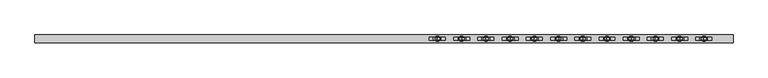
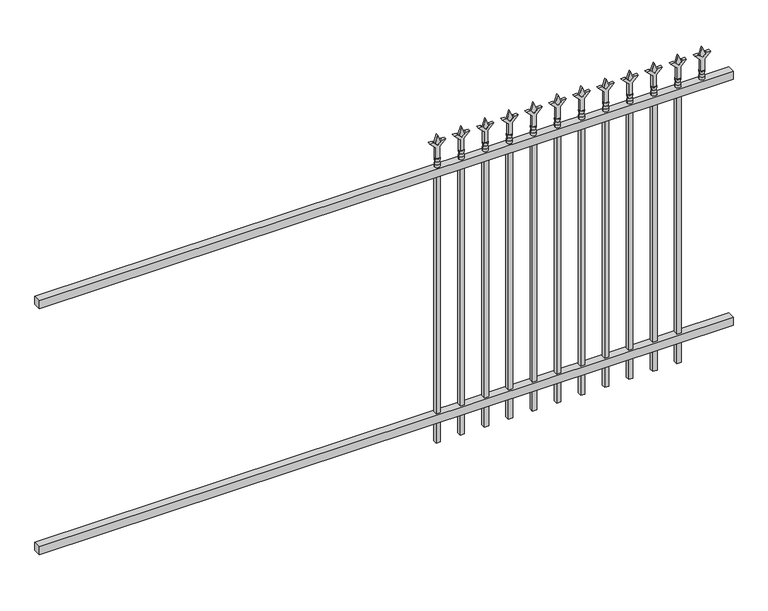
"""IFC4 building model written with IfcOpenShell, lengths in millimetres: railing geometry."""

from ifc_helpers import new_model, si_unit, frame, origin, place, context, project, spatial, polyline, circle_curve, outline, extrude, source, transform, mapped, element, save
from ifc_brep_helpers import plane_surface, cylinder_surface, revolved_surface, advanced_brep


def railing_f7815fa6(model_context):
    return source(origin(), model_context, "Body", "SolidModel", [
        extrude(outline(polyline([(-73537.318087, 3004.8804826), (-73537.318087, 3039.8054826), (-70387.718087, 3039.8054826), (-70387.718087, 3004.8804826), (-73537.318087, 3004.8804826)])), frame((0.0, 0.0, 1333.5), z_axis=(0.0, 0.0, 1.0), x_axis=(1.0, 0.0, 0.0)), (0.0, 0.0, 1.0), 38.1),
        extrude(outline(polyline([(-73537.318087, 3004.8804826), (-73537.318087, 3039.8054826), (-70387.718087, 3039.8054826), (-70387.718087, 3004.8804826), (-73537.318087, 3004.8804826)])), frame((0.0, 0.0, 152.4), z_axis=(0.0, 0.0, 1.0), x_axis=(1.0, 0.0, 0.0)), (0.0, 0.0, 1.0), 38.1),
        extrude(outline(polyline([(1488.28125, -70616.8472536), (1524.0, -70628.7535036), (1488.28125, -70640.6597536), (1476.375, -70628.7535036), (1488.28125, -70616.8472536)])), frame((0.0, 3017.5804826, 0.0), z_axis=(0.0, 1.0, 0.0), x_axis=(0.0, 0.0, 1.0)), (0.0, 0.0, 1.0), 9.525),
        extrude(outline(polyline([(1412.875, -70620.0222536), (1467.1457378, -70620.0222536), (1494.3355122, -70592.8324791), (1494.3355122, -70610.7929914), (1476.375, -70628.7535036), (1494.3355122, -70646.7140159), (1494.3355122, -70664.6745281), (1467.1457378, -70637.4847536), (1412.875, -70637.4847536), (1412.875, -70620.0222536)])), frame((0.0, 3015.9929826, 0.0), z_axis=(0.0, 1.0, 0.0), x_axis=(0.0, 0.0, 1.0)), (0.0, 0.0, 1.0), 12.7),
        advanced_brep(
        [(-70616.8472536, 3022.3429826, 1384.3), (-70640.6597536, 3022.3429826, 1384.3), (-70640.6597536, 3022.3429826, 1371.6), (-70616.8472536, 3022.3429826, 1371.6), (-70619.0525855, 3022.3429826, 1396.8070585), (-70638.4544218, 3022.3429826, 1396.8070585), (-70616.8472536, 3022.3429826, 1412.875), (-70640.6597536, 3022.3429826, 1412.875), (-70628.7535036, 3022.3429826, 1412.875), (-70628.7535036, 3022.3429826, 1371.6)],
        [
            (0, 1, circle_curve(frame((-70628.7535036, 3022.3429826, 1384.3), z_axis=(0.0, 0.0, -1.0), x_axis=(-1.0, 0.0, 0.0)), 11.90625)),
            (1, 2),
            (2, 3, circle_curve(frame((-70628.7535036, 3022.3429826, 1371.6), z_axis=(0.0, 0.0, 1.0), x_axis=(-1.0, 0.0, 0.0)), 11.90625)),
            (3, 0),
            (1, 0, circle_curve(frame((-70628.7535036, 3022.3429826, 1384.3), z_axis=(0.0, 0.0, -1.0), x_axis=(-1.0, 0.0, 0.0)), 11.90625)),
            (3, 2, circle_curve(frame((-70628.7535036, 3022.3429826, 1371.6), z_axis=(0.0, 0.0, 1.0), x_axis=(-1.0, 0.0, 0.0)), 11.90625)),
            (4, 5, circle_curve(frame((-70628.7535036, 3022.3429826, 1396.8070585), z_axis=(0.0, 0.0, -1.0), x_axis=(-1.0, 0.0, 0.0)), 9.7009181)),
            (5, 1),
            (0, 4),
            (5, 4, circle_curve(frame((-70628.7535036, 3022.3429826, 1396.8070585), z_axis=(0.0, 0.0, -1.0), x_axis=(-1.0, 0.0, 0.0)), 9.7009181)),
            (6, 7, circle_curve(frame((-70628.7535036, 3022.3429826, 1412.875), z_axis=(0.0, 0.0, -1.0), x_axis=(-1.0, 0.0, 0.0)), 11.90625)),
            (7, 5),
            (4, 6),
            (7, 6, circle_curve(frame((-70628.7535036, 3022.3429826, 1412.875), z_axis=(0.0, 0.0, -1.0), x_axis=(-1.0, 0.0, 0.0)), 11.90625)),
            (8, 7),
            (6, 8),
            (2, 9),
            (9, 3),
        ],
        [
            cylinder_surface(frame((-70628.7535036, 3022.3429826, 1371.6), z_axis=(0.0, 0.0, 1.0), x_axis=(-1.0, 0.0, 0.0)), 11.90625),
            revolved_surface(polyline([(-70640.6597536, 3022.3429826, 1384.3), (-70638.4544218, 3022.3429826, 1396.8070585)]), (-70628.7535036, 3022.3429826, 1371.6), (0.0, 0.0, 1.0)),
            revolved_surface(polyline([(-70638.4544218, 3022.3429826, 1396.8070585), (-70640.6597536, 3022.3429826, 1412.875)]), (-70628.7535036, 3022.3429826, 1371.6), (0.0, 0.0, 1.0)),
            plane_surface(frame((-70628.7535036, 3022.3429826, 1412.875), z_axis=(0.0, 0.0, 1.0), x_axis=(-1.0, 0.0, 0.0))),
            plane_surface(frame((-70628.7535036, 3022.3429826, 1371.6), z_axis=(0.0, 0.0, -1.0), x_axis=(-1.0, 0.0, 0.0))),
        ],
        [
            (0, [[1, 2, 3, 4]]),
            (0, [[5, -4, 6, -2]]),
            (1, [[7, 8, -1, 9]]),
            (1, [[10, -9, -5, -8]]),
            (2, [[11, 12, -7, 13]]),
            (2, [[14, -13, -10, -12]]),
            (3, [[15, -11, 16]]),
            (3, [[-16, -14, -15]]),
            (4, [[-3, 17, 18]]),
            (4, [[-6, -18, -17]]),
        ],
    ),
        extrude(outline(polyline([(-70638.2785036, 3031.8679826), (-70619.2285036, 3031.8679826), (-70619.2285036, 3012.8179826), (-70638.2785036, 3012.8179826), (-70638.2785036, 3031.8679826)])), frame((0.0, 0.0, 50.8), z_axis=(0.0, 0.0, 1.0), x_axis=(1.0, 0.0, 0.0)), (0.0, 0.0, 1.0), 1320.8),
        extrude(outline(polyline([(1488.28125, -70726.1201703), (1524.0, -70738.0264203), (1488.28125, -70749.9326703), (1476.375, -70738.0264203), (1488.28125, -70726.1201703)])), frame((0.0, 3017.5804826, 0.0), z_axis=(0.0, 1.0, 0.0), x_axis=(0.0, 0.0, 1.0)), (0.0, 0.0, 1.0), 9.525),
        extrude(outline(polyline([(1412.875, -70729.2951703), (1467.1457378, -70729.2951703), (1494.3355122, -70702.1053958), (1494.3355122, -70720.0659081), (1476.375, -70738.0264203), (1494.3355122, -70755.9869325), (1494.3355122, -70773.9474448), (1467.1457378, -70746.7576703), (1412.875, -70746.7576703), (1412.875, -70729.2951703)])), frame((0.0, 3015.9929826, 0.0), z_axis=(0.0, 1.0, 0.0), x_axis=(0.0, 0.0, 1.0)), (0.0, 0.0, 1.0), 12.7),
        advanced_brep(
        [(-70726.1201703, 3022.3429826, 1384.3), (-70749.9326703, 3022.3429826, 1384.3), (-70749.9326703, 3022.3429826, 1371.6), (-70726.1201703, 3022.3429826, 1371.6), (-70728.3255022, 3022.3429826, 1396.8070585), (-70747.7273384, 3022.3429826, 1396.8070585), (-70726.1201703, 3022.3429826, 1412.875), (-70749.9326703, 3022.3429826, 1412.875), (-70738.0264203, 3022.3429826, 1412.875), (-70738.0264203, 3022.3429826, 1371.6)],
        [
            (0, 1, circle_curve(frame((-70738.0264203, 3022.3429826, 1384.3), z_axis=(0.0, 0.0, -1.0), x_axis=(-1.0, 0.0, 0.0)), 11.90625)),
            (1, 2),
            (2, 3, circle_curve(frame((-70738.0264203, 3022.3429826, 1371.6), z_axis=(0.0, 0.0, 1.0), x_axis=(-1.0, 0.0, 0.0)), 11.90625)),
            (3, 0),
            (1, 0, circle_curve(frame((-70738.0264203, 3022.3429826, 1384.3), z_axis=(0.0, 0.0, -1.0), x_axis=(-1.0, 0.0, 0.0)), 11.90625)),
            (3, 2, circle_curve(frame((-70738.0264203, 3022.3429826, 1371.6), z_axis=(0.0, 0.0, 1.0), x_axis=(-1.0, 0.0, 0.0)), 11.90625)),
            (4, 5, circle_curve(frame((-70738.0264203, 3022.3429826, 1396.8070585), z_axis=(0.0, 0.0, -1.0), x_axis=(-1.0, 0.0, 0.0)), 9.7009181)),
            (5, 1),
            (0, 4),
            (5, 4, circle_curve(frame((-70738.0264203, 3022.3429826, 1396.8070585), z_axis=(0.0, 0.0, -1.0), x_axis=(-1.0, 0.0, 0.0)), 9.7009181)),
            (6, 7, circle_curve(frame((-70738.0264203, 3022.3429826, 1412.875), z_axis=(0.0, 0.0, -1.0), x_axis=(-1.0, 0.0, 0.0)), 11.90625)),
            (7, 5),
            (4, 6),
            (7, 6, circle_curve(frame((-70738.0264203, 3022.3429826, 1412.875), z_axis=(0.0, 0.0, -1.0), x_axis=(-1.0, 0.0, 0.0)), 11.90625)),
            (8, 7),
            (6, 8),
            (2, 9),
            (9, 3),
        ],
        [
            cylinder_surface(frame((-70738.0264203, 3022.3429826, 1371.6), z_axis=(0.0, 0.0, 1.0), x_axis=(-1.0, 0.0, 0.0)), 11.90625),
            revolved_surface(polyline([(-70749.9326703, 3022.3429826, 1384.3), (-70747.7273384, 3022.3429826, 1396.8070585)]), (-70738.0264203, 3022.3429826, 1371.6), (0.0, 0.0, 1.0)),
            revolved_surface(polyline([(-70747.7273384, 3022.3429826, 1396.8070585), (-70749.9326703, 3022.3429826, 1412.875)]), (-70738.0264203, 3022.3429826, 1371.6), (0.0, 0.0, 1.0)),
            plane_surface(frame((-70738.0264203, 3022.3429826, 1412.875), z_axis=(0.0, 0.0, 1.0), x_axis=(-1.0, 0.0, 0.0))),
            plane_surface(frame((-70738.0264203, 3022.3429826, 1371.6), z_axis=(0.0, 0.0, -1.0), x_axis=(-1.0, 0.0, 0.0))),
        ],
        [
            (0, [[1, 2, 3, 4]]),
            (0, [[5, -4, 6, -2]]),
            (1, [[7, 8, -1, 9]]),
            (1, [[10, -9, -5, -8]]),
            (2, [[11, 12, -7, 13]]),
            (2, [[14, -13, -10, -12]]),
            (3, [[15, -11, 16]]),
            (3, [[-16, -14, -15]]),
            (4, [[-3, 17, 18]]),
            (4, [[-6, -18, -17]]),
        ],
    ),
        extrude(outline(polyline([(-70747.5514203, 3031.8679826), (-70728.5014203, 3031.8679826), (-70728.5014203, 3012.8179826), (-70747.5514203, 3012.8179826), (-70747.5514203, 3031.8679826)])), frame((0.0, 0.0, 50.8), z_axis=(0.0, 0.0, 1.0), x_axis=(1.0, 0.0, 0.0)), (0.0, 0.0, 1.0), 1320.8),
        extrude(outline(polyline([(1488.28125, -70835.393087), (1524.0, -70847.299337), (1488.28125, -70859.205587), (1476.375, -70847.299337), (1488.28125, -70835.393087)])), frame((0.0, 3017.5804826, 0.0), z_axis=(0.0, 1.0, 0.0), x_axis=(0.0, 0.0, 1.0)), (0.0, 0.0, 1.0), 9.525),
        extrude(outline(polyline([(1412.875, -70838.568087), (1467.1457378, -70838.568087), (1494.3355122, -70811.3783125), (1494.3355122, -70829.3388247), (1476.375, -70847.299337), (1494.3355122, -70865.2598492), (1494.3355122, -70883.2203614), (1467.1457378, -70856.030587), (1412.875, -70856.030587), (1412.875, -70838.568087)])), frame((0.0, 3015.9929826, 0.0), z_axis=(0.0, 1.0, 0.0), x_axis=(0.0, 0.0, 1.0)), (0.0, 0.0, 1.0), 12.7),
        advanced_brep(
        [(-70835.393087, 3022.3429826, 1384.3), (-70859.205587, 3022.3429826, 1384.3), (-70859.205587, 3022.3429826, 1371.6), (-70835.393087, 3022.3429826, 1371.6), (-70837.5984188, 3022.3429826, 1396.8070585), (-70857.0002551, 3022.3429826, 1396.8070585), (-70835.393087, 3022.3429826, 1412.875), (-70859.205587, 3022.3429826, 1412.875), (-70847.299337, 3022.3429826, 1412.875), (-70847.299337, 3022.3429826, 1371.6)],
        [
            (0, 1, circle_curve(frame((-70847.299337, 3022.3429826, 1384.3), z_axis=(0.0, 0.0, -1.0), x_axis=(-1.0, 0.0, 0.0)), 11.90625)),
            (1, 2),
            (2, 3, circle_curve(frame((-70847.299337, 3022.3429826, 1371.6), z_axis=(0.0, 0.0, 1.0), x_axis=(-1.0, 0.0, 0.0)), 11.90625)),
            (3, 0),
            (1, 0, circle_curve(frame((-70847.299337, 3022.3429826, 1384.3), z_axis=(0.0, 0.0, -1.0), x_axis=(-1.0, 0.0, 0.0)), 11.90625)),
            (3, 2, circle_curve(frame((-70847.299337, 3022.3429826, 1371.6), z_axis=(0.0, 0.0, 1.0), x_axis=(-1.0, 0.0, 0.0)), 11.90625)),
            (4, 5, circle_curve(frame((-70847.299337, 3022.3429826, 1396.8070585), z_axis=(0.0, 0.0, -1.0), x_axis=(-1.0, 0.0, 0.0)), 9.7009181)),
            (5, 1),
            (0, 4),
            (5, 4, circle_curve(frame((-70847.299337, 3022.3429826, 1396.8070585), z_axis=(0.0, 0.0, -1.0), x_axis=(-1.0, 0.0, 0.0)), 9.7009181)),
            (6, 7, circle_curve(frame((-70847.299337, 3022.3429826, 1412.875), z_axis=(0.0, 0.0, -1.0), x_axis=(-1.0, 0.0, 0.0)), 11.90625)),
            (7, 5),
            (4, 6),
            (7, 6, circle_curve(frame((-70847.299337, 3022.3429826, 1412.875), z_axis=(0.0, 0.0, -1.0), x_axis=(-1.0, 0.0, 0.0)), 11.90625)),
            (8, 7),
            (6, 8),
            (2, 9),
            (9, 3),
        ],
        [
            cylinder_surface(frame((-70847.299337, 3022.3429826, 1371.6), z_axis=(0.0, 0.0, 1.0), x_axis=(-1.0, 0.0, 0.0)), 11.90625),
            revolved_surface(polyline([(-70859.205587, 3022.3429826, 1384.3), (-70857.0002551, 3022.3429826, 1396.8070585)]), (-70847.299337, 3022.3429826, 1371.6), (0.0, 0.0, 1.0)),
            revolved_surface(polyline([(-70857.0002551, 3022.3429826, 1396.8070585), (-70859.205587, 3022.3429826, 1412.875)]), (-70847.299337, 3022.3429826, 1371.6), (0.0, 0.0, 1.0)),
            plane_surface(frame((-70847.299337, 3022.3429826, 1412.875), z_axis=(0.0, 0.0, 1.0), x_axis=(-1.0, 0.0, 0.0))),
            plane_surface(frame((-70847.299337, 3022.3429826, 1371.6), z_axis=(0.0, 0.0, -1.0), x_axis=(-1.0, 0.0, 0.0))),
        ],
        [
            (0, [[1, 2, 3, 4]]),
            (0, [[5, -4, 6, -2]]),
            (1, [[7, 8, -1, 9]]),
            (1, [[10, -9, -5, -8]]),
            (2, [[11, 12, -7, 13]]),
            (2, [[14, -13, -10, -12]]),
            (3, [[15, -11, 16]]),
            (3, [[-16, -14, -15]]),
            (4, [[-3, 17, 18]]),
            (4, [[-6, -18, -17]]),
        ],
    ),
        extrude(outline(polyline([(-70856.824337, 3031.8679826), (-70837.774337, 3031.8679826), (-70837.774337, 3012.8179826), (-70856.824337, 3012.8179826), (-70856.824337, 3031.8679826)])), frame((0.0, 0.0, 50.8), z_axis=(0.0, 0.0, 1.0), x_axis=(1.0, 0.0, 0.0)), (0.0, 0.0, 1.0), 1320.8),
        extrude(outline(polyline([(1488.28125, -70944.6660036), (1524.0, -70956.5722536), (1488.28125, -70968.4785036), (1476.375, -70956.5722536), (1488.28125, -70944.6660036)])), frame((0.0, 3017.5804826, 0.0), z_axis=(0.0, 1.0, 0.0), x_axis=(0.0, 0.0, 1.0)), (0.0, 0.0, 1.0), 9.525),
        extrude(outline(polyline([(1412.875, -70947.8410036), (1467.1457378, -70947.8410036), (1494.3355122, -70920.6512291), (1494.3355122, -70938.6117414), (1476.375, -70956.5722536), (1494.3355122, -70974.5327659), (1494.3355122, -70992.4932781), (1467.1457378, -70965.3035036), (1412.875, -70965.3035036), (1412.875, -70947.8410036)])), frame((0.0, 3015.9929826, 0.0), z_axis=(0.0, 1.0, 0.0), x_axis=(0.0, 0.0, 1.0)), (0.0, 0.0, 1.0), 12.7),
        advanced_brep(
        [(-70944.6660036, 3022.3429826, 1384.3), (-70968.4785036, 3022.3429826, 1384.3), (-70968.4785036, 3022.3429826, 1371.6), (-70944.6660036, 3022.3429826, 1371.6), (-70946.8713355, 3022.3429826, 1396.8070585), (-70966.2731718, 3022.3429826, 1396.8070585), (-70944.6660036, 3022.3429826, 1412.875), (-70968.4785036, 3022.3429826, 1412.875), (-70956.5722536, 3022.3429826, 1412.875), (-70956.5722536, 3022.3429826, 1371.6)],
        [
            (0, 1, circle_curve(frame((-70956.5722536, 3022.3429826, 1384.3), z_axis=(0.0, 0.0, -1.0), x_axis=(-1.0, 0.0, 0.0)), 11.90625)),
            (1, 2),
            (2, 3, circle_curve(frame((-70956.5722536, 3022.3429826, 1371.6), z_axis=(0.0, 0.0, 1.0), x_axis=(-1.0, 0.0, 0.0)), 11.90625)),
            (3, 0),
            (1, 0, circle_curve(frame((-70956.5722536, 3022.3429826, 1384.3), z_axis=(0.0, 0.0, -1.0), x_axis=(-1.0, 0.0, 0.0)), 11.90625)),
            (3, 2, circle_curve(frame((-70956.5722536, 3022.3429826, 1371.6), z_axis=(0.0, 0.0, 1.0), x_axis=(-1.0, 0.0, 0.0)), 11.90625)),
            (4, 5, circle_curve(frame((-70956.5722536, 3022.3429826, 1396.8070585), z_axis=(0.0, 0.0, -1.0), x_axis=(-1.0, 0.0, 0.0)), 9.7009181)),
            (5, 1),
            (0, 4),
            (5, 4, circle_curve(frame((-70956.5722536, 3022.3429826, 1396.8070585), z_axis=(0.0, 0.0, -1.0), x_axis=(-1.0, 0.0, 0.0)), 9.7009181)),
            (6, 7, circle_curve(frame((-70956.5722536, 3022.3429826, 1412.875), z_axis=(0.0, 0.0, -1.0), x_axis=(-1.0, 0.0, 0.0)), 11.90625)),
            (7, 5),
            (4, 6),
            (7, 6, circle_curve(frame((-70956.5722536, 3022.3429826, 1412.875), z_axis=(0.0, 0.0, -1.0), x_axis=(-1.0, 0.0, 0.0)), 11.90625)),
            (8, 7),
            (6, 8),
            (2, 9),
            (9, 3),
        ],
        [
            cylinder_surface(frame((-70956.5722536, 3022.3429826, 1371.6), z_axis=(0.0, 0.0, 1.0), x_axis=(-1.0, 0.0, 0.0)), 11.90625),
            revolved_surface(polyline([(-70968.4785036, 3022.3429826, 1384.3), (-70966.2731718, 3022.3429826, 1396.8070585)]), (-70956.5722536, 3022.3429826, 1371.6), (0.0, 0.0, 1.0)),
            revolved_surface(polyline([(-70966.2731718, 3022.3429826, 1396.8070585), (-70968.4785036, 3022.3429826, 1412.875)]), (-70956.5722536, 3022.3429826, 1371.6), (0.0, 0.0, 1.0)),
            plane_surface(frame((-70956.5722536, 3022.3429826, 1412.875), z_axis=(0.0, 0.0, 1.0), x_axis=(-1.0, 0.0, 0.0))),
            plane_surface(frame((-70956.5722536, 3022.3429826, 1371.6), z_axis=(0.0, 0.0, -1.0), x_axis=(-1.0, 0.0, 0.0))),
        ],
        [
            (0, [[1, 2, 3, 4]]),
            (0, [[5, -4, 6, -2]]),
            (1, [[7, 8, -1, 9]]),
            (1, [[10, -9, -5, -8]]),
            (2, [[11, 12, -7, 13]]),
            (2, [[14, -13, -10, -12]]),
            (3, [[15, -11, 16]]),
            (3, [[-16, -14, -15]]),
            (4, [[-3, 17, 18]]),
            (4, [[-6, -18, -17]]),
        ],
    ),
        extrude(outline(polyline([(-70966.0972536, 3031.8679826), (-70947.0472536, 3031.8679826), (-70947.0472536, 3012.8179826), (-70966.0972536, 3012.8179826), (-70966.0972536, 3031.8679826)])), frame((0.0, 0.0, 50.8), z_axis=(0.0, 0.0, 1.0), x_axis=(1.0, 0.0, 0.0)), (0.0, 0.0, 1.0), 1320.8),
        extrude(outline(polyline([(1488.28125, -71053.9389203), (1524.0, -71065.8451703), (1488.28125, -71077.7514203), (1476.375, -71065.8451703), (1488.28125, -71053.9389203)])), frame((0.0, 3017.5804826, 0.0), z_axis=(0.0, 1.0, 0.0), x_axis=(0.0, 0.0, 1.0)), (0.0, 0.0, 1.0), 9.525),
        extrude(outline(polyline([(1412.875, -71057.1139203), (1467.1457378, -71057.1139203), (1494.3355122, -71029.9241458), (1494.3355122, -71047.8846581), (1476.375, -71065.8451703), (1494.3355122, -71083.8056825), (1494.3355122, -71101.7661948), (1467.1457378, -71074.5764203), (1412.875, -71074.5764203), (1412.875, -71057.1139203)])), frame((0.0, 3015.9929826, 0.0), z_axis=(0.0, 1.0, 0.0), x_axis=(0.0, 0.0, 1.0)), (0.0, 0.0, 1.0), 12.7),
        advanced_brep(
        [(-71053.9389203, 3022.3429826, 1384.3), (-71077.7514203, 3022.3429826, 1384.3), (-71077.7514203, 3022.3429826, 1371.6), (-71053.9389203, 3022.3429826, 1371.6), (-71056.1442522, 3022.3429826, 1396.8070585), (-71075.5460884, 3022.3429826, 1396.8070585), (-71053.9389203, 3022.3429826, 1412.875), (-71077.7514203, 3022.3429826, 1412.875), (-71065.8451703, 3022.3429826, 1412.875), (-71065.8451703, 3022.3429826, 1371.6)],
        [
            (0, 1, circle_curve(frame((-71065.8451703, 3022.3429826, 1384.3), z_axis=(0.0, 0.0, -1.0), x_axis=(-1.0, 0.0, 0.0)), 11.90625)),
            (1, 2),
            (2, 3, circle_curve(frame((-71065.8451703, 3022.3429826, 1371.6), z_axis=(0.0, 0.0, 1.0), x_axis=(-1.0, 0.0, 0.0)), 11.90625)),
            (3, 0),
            (1, 0, circle_curve(frame((-71065.8451703, 3022.3429826, 1384.3), z_axis=(0.0, 0.0, -1.0), x_axis=(-1.0, 0.0, 0.0)), 11.90625)),
            (3, 2, circle_curve(frame((-71065.8451703, 3022.3429826, 1371.6), z_axis=(0.0, 0.0, 1.0), x_axis=(-1.0, 0.0, 0.0)), 11.90625)),
            (4, 5, circle_curve(frame((-71065.8451703, 3022.3429826, 1396.8070585), z_axis=(0.0, 0.0, -1.0), x_axis=(-1.0, 0.0, 0.0)), 9.7009181)),
            (5, 1),
            (0, 4),
            (5, 4, circle_curve(frame((-71065.8451703, 3022.3429826, 1396.8070585), z_axis=(0.0, 0.0, -1.0), x_axis=(-1.0, 0.0, 0.0)), 9.7009181)),
            (6, 7, circle_curve(frame((-71065.8451703, 3022.3429826, 1412.875), z_axis=(0.0, 0.0, -1.0), x_axis=(-1.0, 0.0, 0.0)), 11.90625)),
            (7, 5),
            (4, 6),
            (7, 6, circle_curve(frame((-71065.8451703, 3022.3429826, 1412.875), z_axis=(0.0, 0.0, -1.0), x_axis=(-1.0, 0.0, 0.0)), 11.90625)),
            (8, 7),
            (6, 8),
            (2, 9),
            (9, 3),
        ],
        [
            cylinder_surface(frame((-71065.8451703, 3022.3429826, 1371.6), z_axis=(0.0, 0.0, 1.0), x_axis=(-1.0, 0.0, 0.0)), 11.90625),
            revolved_surface(polyline([(-71077.7514203, 3022.3429826, 1384.3), (-71075.5460884, 3022.3429826, 1396.8070585)]), (-71065.8451703, 3022.3429826, 1371.6), (0.0, 0.0, 1.0)),
            revolved_surface(polyline([(-71075.5460884, 3022.3429826, 1396.8070585), (-71077.7514203, 3022.3429826, 1412.875)]), (-71065.8451703, 3022.3429826, 1371.6), (0.0, 0.0, 1.0)),
            plane_surface(frame((-71065.8451703, 3022.3429826, 1412.875), z_axis=(0.0, 0.0, 1.0), x_axis=(-1.0, 0.0, 0.0))),
            plane_surface(frame((-71065.8451703, 3022.3429826, 1371.6), z_axis=(0.0, 0.0, -1.0), x_axis=(-1.0, 0.0, 0.0))),
        ],
        [
            (0, [[1, 2, 3, 4]]),
            (0, [[5, -4, 6, -2]]),
            (1, [[7, 8, -1, 9]]),
            (1, [[10, -9, -5, -8]]),
            (2, [[11, 12, -7, 13]]),
            (2, [[14, -13, -10, -12]]),
            (3, [[15, -11, 16]]),
            (3, [[-16, -14, -15]]),
            (4, [[-3, 17, 18]]),
            (4, [[-6, -18, -17]]),
        ],
    ),
        extrude(outline(polyline([(-71075.3701703, 3031.8679826), (-71056.3201703, 3031.8679826), (-71056.3201703, 3012.8179826), (-71075.3701703, 3012.8179826), (-71075.3701703, 3031.8679826)])), frame((0.0, 0.0, 50.8), z_axis=(0.0, 0.0, 1.0), x_axis=(1.0, 0.0, 0.0)), (0.0, 0.0, 1.0), 1320.8),
        extrude(outline(polyline([(1488.28125, -71163.211837), (1524.0, -71175.118087), (1488.28125, -71187.024337), (1476.375, -71175.118087), (1488.28125, -71163.211837)])), frame((0.0, 3017.5804826, 0.0), z_axis=(0.0, 1.0, 0.0), x_axis=(0.0, 0.0, 1.0)), (0.0, 0.0, 1.0), 9.525),
        extrude(outline(polyline([(1412.875, -71166.386837), (1467.1457378, -71166.386837), (1494.3355122, -71139.1970625), (1494.3355122, -71157.1575747), (1476.375, -71175.118087), (1494.3355122, -71193.0785992), (1494.3355122, -71211.0391114), (1467.1457378, -71183.849337), (1412.875, -71183.849337), (1412.875, -71166.386837)])), frame((0.0, 3015.9929826, 0.0), z_axis=(0.0, 1.0, 0.0), x_axis=(0.0, 0.0, 1.0)), (0.0, 0.0, 1.0), 12.7),
        advanced_brep(
        [(-71163.211837, 3022.3429826, 1384.3), (-71187.024337, 3022.3429826, 1384.3), (-71187.024337, 3022.3429826, 1371.6), (-71163.211837, 3022.3429826, 1371.6), (-71165.4171688, 3022.3429826, 1396.8070585), (-71184.8190051, 3022.3429826, 1396.8070585), (-71163.211837, 3022.3429826, 1412.875), (-71187.024337, 3022.3429826, 1412.875), (-71175.118087, 3022.3429826, 1412.875), (-71175.118087, 3022.3429826, 1371.6)],
        [
            (0, 1, circle_curve(frame((-71175.118087, 3022.3429826, 1384.3), z_axis=(0.0, 0.0, -1.0), x_axis=(-1.0, 0.0, 0.0)), 11.90625)),
            (1, 2),
            (2, 3, circle_curve(frame((-71175.118087, 3022.3429826, 1371.6), z_axis=(0.0, 0.0, 1.0), x_axis=(-1.0, 0.0, 0.0)), 11.90625)),
            (3, 0),
            (1, 0, circle_curve(frame((-71175.118087, 3022.3429826, 1384.3), z_axis=(0.0, 0.0, -1.0), x_axis=(-1.0, 0.0, 0.0)), 11.90625)),
            (3, 2, circle_curve(frame((-71175.118087, 3022.3429826, 1371.6), z_axis=(0.0, 0.0, 1.0), x_axis=(-1.0, 0.0, 0.0)), 11.90625)),
            (4, 5, circle_curve(frame((-71175.118087, 3022.3429826, 1396.8070585), z_axis=(0.0, 0.0, -1.0), x_axis=(-1.0, 0.0, 0.0)), 9.7009181)),
            (5, 1),
            (0, 4),
            (5, 4, circle_curve(frame((-71175.118087, 3022.3429826, 1396.8070585), z_axis=(0.0, 0.0, -1.0), x_axis=(-1.0, 0.0, 0.0)), 9.7009181)),
            (6, 7, circle_curve(frame((-71175.118087, 3022.3429826, 1412.875), z_axis=(0.0, 0.0, -1.0), x_axis=(-1.0, 0.0, 0.0)), 11.90625)),
            (7, 5),
            (4, 6),
            (7, 6, circle_curve(frame((-71175.118087, 3022.3429826, 1412.875), z_axis=(0.0, 0.0, -1.0), x_axis=(-1.0, 0.0, 0.0)), 11.90625)),
            (8, 7),
            (6, 8),
            (2, 9),
            (9, 3),
        ],
        [
            cylinder_surface(frame((-71175.118087, 3022.3429826, 1371.6), z_axis=(0.0, 0.0, 1.0), x_axis=(-1.0, 0.0, 0.0)), 11.90625),
            revolved_surface(polyline([(-71187.024337, 3022.3429826, 1384.3), (-71184.8190051, 3022.3429826, 1396.8070585)]), (-71175.118087, 3022.3429826, 1371.6), (0.0, 0.0, 1.0)),
            revolved_surface(polyline([(-71184.8190051, 3022.3429826, 1396.8070585), (-71187.024337, 3022.3429826, 1412.875)]), (-71175.118087, 3022.3429826, 1371.6), (0.0, 0.0, 1.0)),
            plane_surface(frame((-71175.118087, 3022.3429826, 1412.875), z_axis=(0.0, 0.0, 1.0), x_axis=(-1.0, 0.0, 0.0))),
            plane_surface(frame((-71175.118087, 3022.3429826, 1371.6), z_axis=(0.0, 0.0, -1.0), x_axis=(-1.0, 0.0, 0.0))),
        ],
        [
            (0, [[1, 2, 3, 4]]),
            (0, [[5, -4, 6, -2]]),
            (1, [[7, 8, -1, 9]]),
            (1, [[10, -9, -5, -8]]),
            (2, [[11, 12, -7, 13]]),
            (2, [[14, -13, -10, -12]]),
            (3, [[15, -11, 16]]),
            (3, [[-16, -14, -15]]),
            (4, [[-3, 17, 18]]),
            (4, [[-6, -18, -17]]),
        ],
    ),
        extrude(outline(polyline([(-71184.643087, 3031.8679826), (-71165.593087, 3031.8679826), (-71165.593087, 3012.8179826), (-71184.643087, 3012.8179826), (-71184.643087, 3031.8679826)])), frame((0.0, 0.0, 50.8), z_axis=(0.0, 0.0, 1.0), x_axis=(1.0, 0.0, 0.0)), (0.0, 0.0, 1.0), 1320.8),
        extrude(outline(polyline([(1488.28125, -71272.4847536), (1524.0, -71284.3910036), (1488.28125, -71296.2972536), (1476.375, -71284.3910036), (1488.28125, -71272.4847536)])), frame((0.0, 3017.5804826, 0.0), z_axis=(0.0, 1.0, 0.0), x_axis=(0.0, 0.0, 1.0)), (0.0, 0.0, 1.0), 9.525),
        extrude(outline(polyline([(1412.875, -71275.6597536), (1467.1457378, -71275.6597536), (1494.3355122, -71248.4699791), (1494.3355122, -71266.4304914), (1476.375, -71284.3910036), (1494.3355122, -71302.3515159), (1494.3355122, -71320.3120281), (1467.1457378, -71293.1222536), (1412.875, -71293.1222536), (1412.875, -71275.6597536)])), frame((0.0, 3015.9929826, 0.0), z_axis=(0.0, 1.0, 0.0), x_axis=(0.0, 0.0, 1.0)), (0.0, 0.0, 1.0), 12.7),
        advanced_brep(
        [(-71272.4847536, 3022.3429826, 1384.3), (-71296.2972536, 3022.3429826, 1384.3), (-71296.2972536, 3022.3429826, 1371.6), (-71272.4847536, 3022.3429826, 1371.6), (-71274.6900855, 3022.3429826, 1396.8070585), (-71294.0919218, 3022.3429826, 1396.8070585), (-71272.4847536, 3022.3429826, 1412.875), (-71296.2972536, 3022.3429826, 1412.875), (-71284.3910036, 3022.3429826, 1412.875), (-71284.3910036, 3022.3429826, 1371.6)],
        [
            (0, 1, circle_curve(frame((-71284.3910036, 3022.3429826, 1384.3), z_axis=(0.0, 0.0, -1.0), x_axis=(-1.0, 0.0, 0.0)), 11.90625)),
            (1, 2),
            (2, 3, circle_curve(frame((-71284.3910036, 3022.3429826, 1371.6), z_axis=(0.0, 0.0, 1.0), x_axis=(-1.0, 0.0, 0.0)), 11.90625)),
            (3, 0),
            (1, 0, circle_curve(frame((-71284.3910036, 3022.3429826, 1384.3), z_axis=(0.0, 0.0, -1.0), x_axis=(-1.0, 0.0, 0.0)), 11.90625)),
            (3, 2, circle_curve(frame((-71284.3910036, 3022.3429826, 1371.6), z_axis=(0.0, 0.0, 1.0), x_axis=(-1.0, 0.0, 0.0)), 11.90625)),
            (4, 5, circle_curve(frame((-71284.3910036, 3022.3429826, 1396.8070585), z_axis=(0.0, 0.0, -1.0), x_axis=(-1.0, 0.0, 0.0)), 9.7009181)),
            (5, 1),
            (0, 4),
            (5, 4, circle_curve(frame((-71284.3910036, 3022.3429826, 1396.8070585), z_axis=(0.0, 0.0, -1.0), x_axis=(-1.0, 0.0, 0.0)), 9.7009181)),
            (6, 7, circle_curve(frame((-71284.3910036, 3022.3429826, 1412.875), z_axis=(0.0, 0.0, -1.0), x_axis=(-1.0, 0.0, 0.0)), 11.90625)),
            (7, 5),
            (4, 6),
            (7, 6, circle_curve(frame((-71284.3910036, 3022.3429826, 1412.875), z_axis=(0.0, 0.0, -1.0), x_axis=(-1.0, 0.0, 0.0)), 11.90625)),
            (8, 7),
            (6, 8),
            (2, 9),
            (9, 3),
        ],
        [
            cylinder_surface(frame((-71284.3910036, 3022.3429826, 1371.6), z_axis=(0.0, 0.0, 1.0), x_axis=(-1.0, 0.0, 0.0)), 11.90625),
            revolved_surface(polyline([(-71296.2972536, 3022.3429826, 1384.3), (-71294.0919218, 3022.3429826, 1396.8070585)]), (-71284.3910036, 3022.3429826, 1371.6), (0.0, 0.0, 1.0)),
            revolved_surface(polyline([(-71294.0919218, 3022.3429826, 1396.8070585), (-71296.2972536, 3022.3429826, 1412.875)]), (-71284.3910036, 3022.3429826, 1371.6), (0.0, 0.0, 1.0)),
            plane_surface(frame((-71284.3910036, 3022.3429826, 1412.875), z_axis=(0.0, 0.0, 1.0), x_axis=(-1.0, 0.0, 0.0))),
            plane_surface(frame((-71284.3910036, 3022.3429826, 1371.6), z_axis=(0.0, 0.0, -1.0), x_axis=(-1.0, 0.0, 0.0))),
        ],
        [
            (0, [[1, 2, 3, 4]]),
            (0, [[5, -4, 6, -2]]),
            (1, [[7, 8, -1, 9]]),
            (1, [[10, -9, -5, -8]]),
            (2, [[11, 12, -7, 13]]),
            (2, [[14, -13, -10, -12]]),
            (3, [[15, -11, 16]]),
            (3, [[-16, -14, -15]]),
            (4, [[-3, 17, 18]]),
            (4, [[-6, -18, -17]]),
        ],
    ),
        extrude(outline(polyline([(-71293.9160036, 3031.8679826), (-71274.8660036, 3031.8679826), (-71274.8660036, 3012.8179826), (-71293.9160036, 3012.8179826), (-71293.9160036, 3031.8679826)])), frame((0.0, 0.0, 50.8), z_axis=(0.0, 0.0, 1.0), x_axis=(1.0, 0.0, 0.0)), (0.0, 0.0, 1.0), 1320.8),
        extrude(outline(polyline([(1488.28125, -71381.7576703), (1524.0, -71393.6639203), (1488.28125, -71405.5701703), (1476.375, -71393.6639203), (1488.28125, -71381.7576703)])), frame((0.0, 3017.5804826, 0.0), z_axis=(0.0, 1.0, 0.0), x_axis=(0.0, 0.0, 1.0)), (0.0, 0.0, 1.0), 9.525),
        extrude(outline(polyline([(1412.875, -71384.9326703), (1467.1457378, -71384.9326703), (1494.3355122, -71357.7428958), (1494.3355122, -71375.7034081), (1476.375, -71393.6639203), (1494.3355122, -71411.6244325), (1494.3355122, -71429.5849448), (1467.1457378, -71402.3951703), (1412.875, -71402.3951703), (1412.875, -71384.9326703)])), frame((0.0, 3015.9929826, 0.0), z_axis=(0.0, 1.0, 0.0), x_axis=(0.0, 0.0, 1.0)), (0.0, 0.0, 1.0), 12.7),
        advanced_brep(
        [(-71381.7576703, 3022.3429826, 1384.3), (-71405.5701703, 3022.3429826, 1384.3), (-71405.5701703, 3022.3429826, 1371.6), (-71381.7576703, 3022.3429826, 1371.6), (-71383.9630022, 3022.3429826, 1396.8070585), (-71403.3648384, 3022.3429826, 1396.8070585), (-71381.7576703, 3022.3429826, 1412.875), (-71405.5701703, 3022.3429826, 1412.875), (-71393.6639203, 3022.3429826, 1412.875), (-71393.6639203, 3022.3429826, 1371.6)],
        [
            (0, 1, circle_curve(frame((-71393.6639203, 3022.3429826, 1384.3), z_axis=(0.0, 0.0, -1.0), x_axis=(-1.0, 0.0, 0.0)), 11.90625)),
            (1, 2),
            (2, 3, circle_curve(frame((-71393.6639203, 3022.3429826, 1371.6), z_axis=(0.0, 0.0, 1.0), x_axis=(-1.0, 0.0, 0.0)), 11.90625)),
            (3, 0),
            (1, 0, circle_curve(frame((-71393.6639203, 3022.3429826, 1384.3), z_axis=(0.0, 0.0, -1.0), x_axis=(-1.0, 0.0, 0.0)), 11.90625)),
            (3, 2, circle_curve(frame((-71393.6639203, 3022.3429826, 1371.6), z_axis=(0.0, 0.0, 1.0), x_axis=(-1.0, 0.0, 0.0)), 11.90625)),
            (4, 5, circle_curve(frame((-71393.6639203, 3022.3429826, 1396.8070585), z_axis=(0.0, 0.0, -1.0), x_axis=(-1.0, 0.0, 0.0)), 9.7009181)),
            (5, 1),
            (0, 4),
            (5, 4, circle_curve(frame((-71393.6639203, 3022.3429826, 1396.8070585), z_axis=(0.0, 0.0, -1.0), x_axis=(-1.0, 0.0, 0.0)), 9.7009181)),
            (6, 7, circle_curve(frame((-71393.6639203, 3022.3429826, 1412.875), z_axis=(0.0, 0.0, -1.0), x_axis=(-1.0, 0.0, 0.0)), 11.90625)),
            (7, 5),
            (4, 6),
            (7, 6, circle_curve(frame((-71393.6639203, 3022.3429826, 1412.875), z_axis=(0.0, 0.0, -1.0), x_axis=(-1.0, 0.0, 0.0)), 11.90625)),
            (8, 7),
            (6, 8),
            (2, 9),
            (9, 3),
        ],
        [
            cylinder_surface(frame((-71393.6639203, 3022.3429826, 1371.6), z_axis=(0.0, 0.0, 1.0), x_axis=(-1.0, 0.0, 0.0)), 11.90625),
            revolved_surface(polyline([(-71405.5701703, 3022.3429826, 1384.3), (-71403.3648384, 3022.3429826, 1396.8070585)]), (-71393.6639203, 3022.3429826, 1371.6), (0.0, 0.0, 1.0)),
            revolved_surface(polyline([(-71403.3648384, 3022.3429826, 1396.8070585), (-71405.5701703, 3022.3429826, 1412.875)]), (-71393.6639203, 3022.3429826, 1371.6), (0.0, 0.0, 1.0)),
            plane_surface(frame((-71393.6639203, 3022.3429826, 1412.875), z_axis=(0.0, 0.0, 1.0), x_axis=(-1.0, 0.0, 0.0))),
            plane_surface(frame((-71393.6639203, 3022.3429826, 1371.6), z_axis=(0.0, 0.0, -1.0), x_axis=(-1.0, 0.0, 0.0))),
        ],
        [
            (0, [[1, 2, 3, 4]]),
            (0, [[5, -4, 6, -2]]),
            (1, [[7, 8, -1, 9]]),
            (1, [[10, -9, -5, -8]]),
            (2, [[11, 12, -7, 13]]),
            (2, [[14, -13, -10, -12]]),
            (3, [[15, -11, 16]]),
            (3, [[-16, -14, -15]]),
            (4, [[-3, 17, 18]]),
            (4, [[-6, -18, -17]]),
        ],
    ),
        extrude(outline(polyline([(-71403.1889203, 3031.8679826), (-71384.1389203, 3031.8679826), (-71384.1389203, 3012.8179826), (-71403.1889203, 3012.8179826), (-71403.1889203, 3031.8679826)])), frame((0.0, 0.0, 50.8), z_axis=(0.0, 0.0, 1.0), x_axis=(1.0, 0.0, 0.0)), (0.0, 0.0, 1.0), 1320.8),
        extrude(outline(polyline([(1488.28125, -71491.030587), (1524.0, -71502.936837), (1488.28125, -71514.843087), (1476.375, -71502.936837), (1488.28125, -71491.030587)])), frame((0.0, 3017.5804826, 0.0), z_axis=(0.0, 1.0, 0.0), x_axis=(0.0, 0.0, 1.0)), (0.0, 0.0, 1.0), 9.525),
        extrude(outline(polyline([(1412.875, -71494.205587), (1467.1457378, -71494.205587), (1494.3355122, -71467.0158125), (1494.3355122, -71484.9763247), (1476.375, -71502.936837), (1494.3355122, -71520.8973492), (1494.3355122, -71538.8578614), (1467.1457378, -71511.668087), (1412.875, -71511.668087), (1412.875, -71494.205587)])), frame((0.0, 3015.9929826, 0.0), z_axis=(0.0, 1.0, 0.0), x_axis=(0.0, 0.0, 1.0)), (0.0, 0.0, 1.0), 12.7),
        advanced_brep(
        [(-71491.030587, 3022.3429826, 1384.3), (-71514.843087, 3022.3429826, 1384.3), (-71514.843087, 3022.3429826, 1371.6), (-71491.030587, 3022.3429826, 1371.6), (-71493.2359188, 3022.3429826, 1396.8070585), (-71512.6377551, 3022.3429826, 1396.8070585), (-71491.030587, 3022.3429826, 1412.875), (-71514.843087, 3022.3429826, 1412.875), (-71502.936837, 3022.3429826, 1412.875), (-71502.936837, 3022.3429826, 1371.6)],
        [
            (0, 1, circle_curve(frame((-71502.936837, 3022.3429826, 1384.3), z_axis=(0.0, 0.0, -1.0), x_axis=(-1.0, 0.0, 0.0)), 11.90625)),
            (1, 2),
            (2, 3, circle_curve(frame((-71502.936837, 3022.3429826, 1371.6), z_axis=(0.0, 0.0, 1.0), x_axis=(-1.0, 0.0, 0.0)), 11.90625)),
            (3, 0),
            (1, 0, circle_curve(frame((-71502.936837, 3022.3429826, 1384.3), z_axis=(0.0, 0.0, -1.0), x_axis=(-1.0, 0.0, 0.0)), 11.90625)),
            (3, 2, circle_curve(frame((-71502.936837, 3022.3429826, 1371.6), z_axis=(0.0, 0.0, 1.0), x_axis=(-1.0, 0.0, 0.0)), 11.90625)),
            (4, 5, circle_curve(frame((-71502.936837, 3022.3429826, 1396.8070585), z_axis=(0.0, 0.0, -1.0), x_axis=(-1.0, 0.0, 0.0)), 9.7009181)),
            (5, 1),
            (0, 4),
            (5, 4, circle_curve(frame((-71502.936837, 3022.3429826, 1396.8070585), z_axis=(0.0, 0.0, -1.0), x_axis=(-1.0, 0.0, 0.0)), 9.7009181)),
            (6, 7, circle_curve(frame((-71502.936837, 3022.3429826, 1412.875), z_axis=(0.0, 0.0, -1.0), x_axis=(-1.0, 0.0, 0.0)), 11.90625)),
            (7, 5),
            (4, 6),
            (7, 6, circle_curve(frame((-71502.936837, 3022.3429826, 1412.875), z_axis=(0.0, 0.0, -1.0), x_axis=(-1.0, 0.0, 0.0)), 11.90625)),
            (8, 7),
            (6, 8),
            (2, 9),
            (9, 3),
        ],
        [
            cylinder_surface(frame((-71502.936837, 3022.3429826, 1371.6), z_axis=(0.0, 0.0, 1.0), x_axis=(-1.0, 0.0, 0.0)), 11.90625),
            revolved_surface(polyline([(-71514.843087, 3022.3429826, 1384.3), (-71512.6377551, 3022.3429826, 1396.8070585)]), (-71502.936837, 3022.3429826, 1371.6), (0.0, 0.0, 1.0)),
            revolved_surface(polyline([(-71512.6377551, 3022.3429826, 1396.8070585), (-71514.843087, 3022.3429826, 1412.875)]), (-71502.936837, 3022.3429826, 1371.6), (0.0, 0.0, 1.0)),
            plane_surface(frame((-71502.936837, 3022.3429826, 1412.875), z_axis=(0.0, 0.0, 1.0), x_axis=(-1.0, 0.0, 0.0))),
            plane_surface(frame((-71502.936837, 3022.3429826, 1371.6), z_axis=(0.0, 0.0, -1.0), x_axis=(-1.0, 0.0, 0.0))),
        ],
        [
            (0, [[1, 2, 3, 4]]),
            (0, [[5, -4, 6, -2]]),
            (1, [[7, 8, -1, 9]]),
            (1, [[10, -9, -5, -8]]),
            (2, [[11, 12, -7, 13]]),
            (2, [[14, -13, -10, -12]]),
            (3, [[15, -11, 16]]),
            (3, [[-16, -14, -15]]),
            (4, [[-3, 17, 18]]),
            (4, [[-6, -18, -17]]),
        ],
    ),
        extrude(outline(polyline([(-71512.461837, 3031.8679826), (-71493.411837, 3031.8679826), (-71493.411837, 3012.8179826), (-71512.461837, 3012.8179826), (-71512.461837, 3031.8679826)])), frame((0.0, 0.0, 50.8), z_axis=(0.0, 0.0, 1.0), x_axis=(1.0, 0.0, 0.0)), (0.0, 0.0, 1.0), 1320.8),
        extrude(outline(polyline([(1488.28125, -71600.3035036), (1524.0, -71612.2097536), (1488.28125, -71624.1160036), (1476.375, -71612.2097536), (1488.28125, -71600.3035036)])), frame((0.0, 3017.5804826, 0.0), z_axis=(0.0, 1.0, 0.0), x_axis=(0.0, 0.0, 1.0)), (0.0, 0.0, 1.0), 9.525),
        extrude(outline(polyline([(1412.875, -71603.4785036), (1467.1457378, -71603.4785036), (1494.3355122, -71576.2887291), (1494.3355122, -71594.2492414), (1476.375, -71612.2097536), (1494.3355122, -71630.1702659), (1494.3355122, -71648.1307781), (1467.1457378, -71620.9410036), (1412.875, -71620.9410036), (1412.875, -71603.4785036)])), frame((0.0, 3015.9929826, 0.0), z_axis=(0.0, 1.0, 0.0), x_axis=(0.0, 0.0, 1.0)), (0.0, 0.0, 1.0), 12.7),
        advanced_brep(
        [(-71600.3035036, 3022.3429826, 1384.3), (-71624.1160036, 3022.3429826, 1384.3), (-71624.1160036, 3022.3429826, 1371.6), (-71600.3035036, 3022.3429826, 1371.6), (-71602.5088355, 3022.3429826, 1396.8070585), (-71621.9106718, 3022.3429826, 1396.8070585), (-71600.3035036, 3022.3429826, 1412.875), (-71624.1160036, 3022.3429826, 1412.875), (-71612.2097536, 3022.3429826, 1412.875), (-71612.2097536, 3022.3429826, 1371.6)],
        [
            (0, 1, circle_curve(frame((-71612.2097536, 3022.3429826, 1384.3), z_axis=(0.0, 0.0, -1.0), x_axis=(-1.0, 0.0, 0.0)), 11.90625)),
            (1, 2),
            (2, 3, circle_curve(frame((-71612.2097536, 3022.3429826, 1371.6), z_axis=(0.0, 0.0, 1.0), x_axis=(-1.0, 0.0, 0.0)), 11.90625)),
            (3, 0),
            (1, 0, circle_curve(frame((-71612.2097536, 3022.3429826, 1384.3), z_axis=(0.0, 0.0, -1.0), x_axis=(-1.0, 0.0, 0.0)), 11.90625)),
            (3, 2, circle_curve(frame((-71612.2097536, 3022.3429826, 1371.6), z_axis=(0.0, 0.0, 1.0), x_axis=(-1.0, 0.0, 0.0)), 11.90625)),
            (4, 5, circle_curve(frame((-71612.2097536, 3022.3429826, 1396.8070585), z_axis=(0.0, 0.0, -1.0), x_axis=(-1.0, 0.0, 0.0)), 9.7009181)),
            (5, 1),
            (0, 4),
            (5, 4, circle_curve(frame((-71612.2097536, 3022.3429826, 1396.8070585), z_axis=(0.0, 0.0, -1.0), x_axis=(-1.0, 0.0, 0.0)), 9.7009181)),
            (6, 7, circle_curve(frame((-71612.2097536, 3022.3429826, 1412.875), z_axis=(0.0, 0.0, -1.0), x_axis=(-1.0, 0.0, 0.0)), 11.90625)),
            (7, 5),
            (4, 6),
            (7, 6, circle_curve(frame((-71612.2097536, 3022.3429826, 1412.875), z_axis=(0.0, 0.0, -1.0), x_axis=(-1.0, 0.0, 0.0)), 11.90625)),
            (8, 7),
            (6, 8),
            (2, 9),
            (9, 3),
        ],
        [
            cylinder_surface(frame((-71612.2097536, 3022.3429826, 1371.6), z_axis=(0.0, 0.0, 1.0), x_axis=(-1.0, 0.0, 0.0)), 11.90625),
            revolved_surface(polyline([(-71624.1160036, 3022.3429826, 1384.3), (-71621.9106718, 3022.3429826, 1396.8070585)]), (-71612.2097536, 3022.3429826, 1371.6), (0.0, 0.0, 1.0)),
            revolved_surface(polyline([(-71621.9106718, 3022.3429826, 1396.8070585), (-71624.1160036, 3022.3429826, 1412.875)]), (-71612.2097536, 3022.3429826, 1371.6), (0.0, 0.0, 1.0)),
            plane_surface(frame((-71612.2097536, 3022.3429826, 1412.875), z_axis=(0.0, 0.0, 1.0), x_axis=(-1.0, 0.0, 0.0))),
            plane_surface(frame((-71612.2097536, 3022.3429826, 1371.6), z_axis=(0.0, 0.0, -1.0), x_axis=(-1.0, 0.0, 0.0))),
        ],
        [
            (0, [[1, 2, 3, 4]]),
            (0, [[5, -4, 6, -2]]),
            (1, [[7, 8, -1, 9]]),
            (1, [[10, -9, -5, -8]]),
            (2, [[11, 12, -7, 13]]),
            (2, [[14, -13, -10, -12]]),
            (3, [[15, -11, 16]]),
            (3, [[-16, -14, -15]]),
            (4, [[-3, 17, 18]]),
            (4, [[-6, -18, -17]]),
        ],
    ),
        extrude(outline(polyline([(-71621.7347536, 3031.8679826), (-71602.6847536, 3031.8679826), (-71602.6847536, 3012.8179826), (-71621.7347536, 3012.8179826), (-71621.7347536, 3031.8679826)])), frame((0.0, 0.0, 50.8), z_axis=(0.0, 0.0, 1.0), x_axis=(1.0, 0.0, 0.0)), (0.0, 0.0, 1.0), 1320.8),
        extrude(outline(polyline([(1488.28125, -71709.5764203), (1524.0, -71721.4826703), (1488.28125, -71733.3889203), (1476.375, -71721.4826703), (1488.28125, -71709.5764203)])), frame((0.0, 3017.5804826, 0.0), z_axis=(0.0, 1.0, 0.0), x_axis=(0.0, 0.0, 1.0)), (0.0, 0.0, 1.0), 9.525),
        extrude(outline(polyline([(1412.875, -71712.7514203), (1467.1457378, -71712.7514203), (1494.3355122, -71685.5616458), (1494.3355122, -71703.5221581), (1476.375, -71721.4826703), (1494.3355122, -71739.4431825), (1494.3355122, -71757.4036948), (1467.1457378, -71730.2139203), (1412.875, -71730.2139203), (1412.875, -71712.7514203)])), frame((0.0, 3015.9929826, 0.0), z_axis=(0.0, 1.0, 0.0), x_axis=(0.0, 0.0, 1.0)), (0.0, 0.0, 1.0), 12.7),
        advanced_brep(
        [(-71709.5764203, 3022.3429826, 1384.3), (-71733.3889203, 3022.3429826, 1384.3), (-71733.3889203, 3022.3429826, 1371.6), (-71709.5764203, 3022.3429826, 1371.6), (-71711.7817522, 3022.3429826, 1396.8070585), (-71731.1835884, 3022.3429826, 1396.8070585), (-71709.5764203, 3022.3429826, 1412.875), (-71733.3889203, 3022.3429826, 1412.875), (-71721.4826703, 3022.3429826, 1412.875), (-71721.4826703, 3022.3429826, 1371.6)],
        [
            (0, 1, circle_curve(frame((-71721.4826703, 3022.3429826, 1384.3), z_axis=(0.0, 0.0, -1.0), x_axis=(-1.0, 0.0, 0.0)), 11.90625)),
            (1, 2),
            (2, 3, circle_curve(frame((-71721.4826703, 3022.3429826, 1371.6), z_axis=(0.0, 0.0, 1.0), x_axis=(-1.0, 0.0, 0.0)), 11.90625)),
            (3, 0),
            (1, 0, circle_curve(frame((-71721.4826703, 3022.3429826, 1384.3), z_axis=(0.0, 0.0, -1.0), x_axis=(-1.0, 0.0, 0.0)), 11.90625)),
            (3, 2, circle_curve(frame((-71721.4826703, 3022.3429826, 1371.6), z_axis=(0.0, 0.0, 1.0), x_axis=(-1.0, 0.0, 0.0)), 11.90625)),
            (4, 5, circle_curve(frame((-71721.4826703, 3022.3429826, 1396.8070585), z_axis=(0.0, 0.0, -1.0), x_axis=(-1.0, 0.0, 0.0)), 9.7009181)),
            (5, 1),
            (0, 4),
            (5, 4, circle_curve(frame((-71721.4826703, 3022.3429826, 1396.8070585), z_axis=(0.0, 0.0, -1.0), x_axis=(-1.0, 0.0, 0.0)), 9.7009181)),
            (6, 7, circle_curve(frame((-71721.4826703, 3022.3429826, 1412.875), z_axis=(0.0, 0.0, -1.0), x_axis=(-1.0, 0.0, 0.0)), 11.90625)),
            (7, 5),
            (4, 6),
            (7, 6, circle_curve(frame((-71721.4826703, 3022.3429826, 1412.875), z_axis=(0.0, 0.0, -1.0), x_axis=(-1.0, 0.0, 0.0)), 11.90625)),
            (8, 7),
            (6, 8),
            (2, 9),
            (9, 3),
        ],
        [
            cylinder_surface(frame((-71721.4826703, 3022.3429826, 1371.6), z_axis=(0.0, 0.0, 1.0), x_axis=(-1.0, 0.0, 0.0)), 11.90625),
            revolved_surface(polyline([(-71733.3889203, 3022.3429826, 1384.3), (-71731.1835884, 3022.3429826, 1396.8070585)]), (-71721.4826703, 3022.3429826, 1371.6), (0.0, 0.0, 1.0)),
            revolved_surface(polyline([(-71731.1835884, 3022.3429826, 1396.8070585), (-71733.3889203, 3022.3429826, 1412.875)]), (-71721.4826703, 3022.3429826, 1371.6), (0.0, 0.0, 1.0)),
            plane_surface(frame((-71721.4826703, 3022.3429826, 1412.875), z_axis=(0.0, 0.0, 1.0), x_axis=(-1.0, 0.0, 0.0))),
            plane_surface(frame((-71721.4826703, 3022.3429826, 1371.6), z_axis=(0.0, 0.0, -1.0), x_axis=(-1.0, 0.0, 0.0))),
        ],
        [
            (0, [[1, 2, 3, 4]]),
            (0, [[5, -4, 6, -2]]),
            (1, [[7, 8, -1, 9]]),
            (1, [[10, -9, -5, -8]]),
            (2, [[11, 12, -7, 13]]),
            (2, [[14, -13, -10, -12]]),
            (3, [[15, -11, 16]]),
            (3, [[-16, -14, -15]]),
            (4, [[-3, 17, 18]]),
            (4, [[-6, -18, -17]]),
        ],
    ),
        extrude(outline(polyline([(-71731.0076703, 3031.8679826), (-71711.9576703, 3031.8679826), (-71711.9576703, 3012.8179826), (-71731.0076703, 3012.8179826), (-71731.0076703, 3031.8679826)])), frame((0.0, 0.0, 50.8), z_axis=(0.0, 0.0, 1.0), x_axis=(1.0, 0.0, 0.0)), (0.0, 0.0, 1.0), 1320.8),
        extrude(outline(polyline([(1488.28125, -70507.574337), (1524.0, -70519.480587), (1488.28125, -70531.386837), (1476.375, -70519.480587), (1488.28125, -70507.574337)])), frame((0.0, 3017.5804826, 0.0), z_axis=(0.0, 1.0, 0.0), x_axis=(0.0, 0.0, 1.0)), (0.0, 0.0, 1.0), 9.525),
        extrude(outline(polyline([(1412.875, -70510.749337), (1467.1457378, -70510.749337), (1494.3355122, -70483.5595625), (1494.3355122, -70501.5200747), (1476.375, -70519.480587), (1494.3355122, -70537.4410992), (1494.3355122, -70555.4016114), (1467.1457378, -70528.211837), (1412.875, -70528.211837), (1412.875, -70510.749337)])), frame((0.0, 3015.9929826, 0.0), z_axis=(0.0, 1.0, 0.0), x_axis=(0.0, 0.0, 1.0)), (0.0, 0.0, 1.0), 12.7),
        advanced_brep(
        [(-70507.574337, 3022.3429826, 1384.3), (-70531.386837, 3022.3429826, 1384.3), (-70531.386837, 3022.3429826, 1371.6), (-70507.574337, 3022.3429826, 1371.6), (-70509.7796688, 3022.3429826, 1396.8070585), (-70529.1815051, 3022.3429826, 1396.8070585), (-70507.574337, 3022.3429826, 1412.875), (-70531.386837, 3022.3429826, 1412.875), (-70519.480587, 3022.3429826, 1412.875), (-70519.480587, 3022.3429826, 1371.6)],
        [
            (0, 1, circle_curve(frame((-70519.480587, 3022.3429826, 1384.3), z_axis=(0.0, 0.0, -1.0), x_axis=(-1.0, 0.0, 0.0)), 11.90625)),
            (1, 2),
            (2, 3, circle_curve(frame((-70519.480587, 3022.3429826, 1371.6), z_axis=(0.0, 0.0, 1.0), x_axis=(-1.0, 0.0, 0.0)), 11.90625)),
            (3, 0),
            (1, 0, circle_curve(frame((-70519.480587, 3022.3429826, 1384.3), z_axis=(0.0, 0.0, -1.0), x_axis=(-1.0, 0.0, 0.0)), 11.90625)),
            (3, 2, circle_curve(frame((-70519.480587, 3022.3429826, 1371.6), z_axis=(0.0, 0.0, 1.0), x_axis=(-1.0, 0.0, 0.0)), 11.90625)),
            (4, 5, circle_curve(frame((-70519.480587, 3022.3429826, 1396.8070585), z_axis=(0.0, 0.0, -1.0), x_axis=(-1.0, 0.0, 0.0)), 9.7009181)),
            (5, 1),
            (0, 4),
            (5, 4, circle_curve(frame((-70519.480587, 3022.3429826, 1396.8070585), z_axis=(0.0, 0.0, -1.0), x_axis=(-1.0, 0.0, 0.0)), 9.7009181)),
            (6, 7, circle_curve(frame((-70519.480587, 3022.3429826, 1412.875), z_axis=(0.0, 0.0, -1.0), x_axis=(-1.0, 0.0, 0.0)), 11.90625)),
            (7, 5),
            (4, 6),
            (7, 6, circle_curve(frame((-70519.480587, 3022.3429826, 1412.875), z_axis=(0.0, 0.0, -1.0), x_axis=(-1.0, 0.0, 0.0)), 11.90625)),
            (8, 7),
            (6, 8),
            (2, 9),
            (9, 3),
        ],
        [
            cylinder_surface(frame((-70519.480587, 3022.3429826, 1371.6), z_axis=(0.0, 0.0, 1.0), x_axis=(-1.0, 0.0, 0.0)), 11.90625),
            revolved_surface(polyline([(-70531.386837, 3022.3429826, 1384.3), (-70529.1815051, 3022.3429826, 1396.8070585)]), (-70519.480587, 3022.3429826, 1371.6), (0.0, 0.0, 1.0)),
            revolved_surface(polyline([(-70529.1815051, 3022.3429826, 1396.8070585), (-70531.386837, 3022.3429826, 1412.875)]), (-70519.480587, 3022.3429826, 1371.6), (0.0, 0.0, 1.0)),
            plane_surface(frame((-70519.480587, 3022.3429826, 1412.875), z_axis=(0.0, 0.0, 1.0), x_axis=(-1.0, 0.0, 0.0))),
            plane_surface(frame((-70519.480587, 3022.3429826, 1371.6), z_axis=(0.0, 0.0, -1.0), x_axis=(-1.0, 0.0, 0.0))),
        ],
        [
            (0, [[1, 2, 3, 4]]),
            (0, [[5, -4, 6, -2]]),
            (1, [[7, 8, -1, 9]]),
            (1, [[10, -9, -5, -8]]),
            (2, [[11, 12, -7, 13]]),
            (2, [[14, -13, -10, -12]]),
            (3, [[15, -11, 16]]),
            (3, [[-16, -14, -15]]),
            (4, [[-3, 17, 18]]),
            (4, [[-6, -18, -17]]),
        ],
    ),
    ])


if __name__ == "__main__":
    model = new_model("IFC4")
    model_context = context("Model", 3, world=origin())
    ifc_project = project(units=[si_unit("LENGTHUNIT", "METRE", prefix="MILLI")], contexts=[model_context])
    site = spatial("IfcSite", under=ifc_project)
    building = spatial("IfcBuilding", under=site)
    placement = place(None, origin())
    railing_shape = railing_f7815fa6(model_context)
    element("IfcRailing", 1, at=placement, inside=building, context=model_context, shape_type="MappedRepresentation", body=[
        mapped(railing_shape, transform((0.0, 0.0, 0.0), x_axis=(1.0, 0.0, 0.0), y_axis=(0.0, 1.0, 0.0), z_axis=(0.0, 0.0, 1.0))),
    ])
    save(model, "model.ifc")
